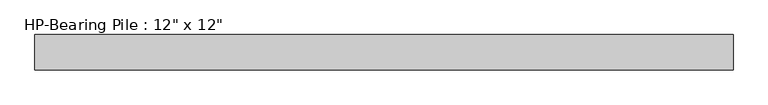
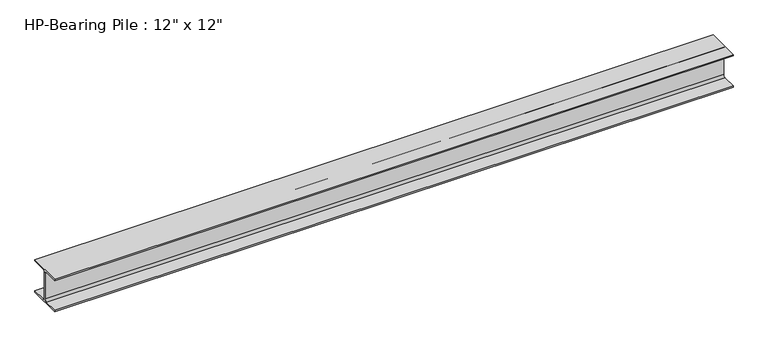
"""IFC4 building model written with IfcOpenShell, lengths in millimetres: beam geometry."""

import ifcopenshell
import ifcopenshell.guid

model = None  # the IFC model being written
_history = None  # IfcOwnerHistory: only IFC2X3 demands one
_inside = {}  # id of a spatial element -> (the spatial element, [elements in it])
_under = {}  # id of a project, library or spatial element -> (it, [spatial elements below it])
_declared = {}  # id of a project -> (the project, [libraries it declares])
_typed = {}  # id of a type object -> (the type object, [elements of that type])
_made_of = {}  # id of a material, layer set ... -> (it, [elements and type objects made of it])


def new_model(schema):
    """Start an empty IFC model of exactly this schema.

    Asked for "IFC4X3", IfcOpenShell would pick the latest addendum, in which some entities
    have other attributes; the version numbers below select the first issue.
    IFC2X3 requires an IfcOwnerHistory on every rooted entity: one is made here for all.
    """
    global model, _history
    if schema == "IFC4X3":
        model = ifcopenshell.file(schema_version=(4, 3, 0, 0))
    else:
        model = ifcopenshell.file(schema=schema)
    _inside.clear()
    _under.clear()
    _declared.clear()
    _typed.clear()
    _made_of.clear()
    _history = None
    if model.schema == "IFC2X3":
        org = make("IfcOrganization", Name="unknown")
        user = make(
            "IfcPersonAndOrganization",
            ThePerson=make("IfcPerson", FamilyName="unknown"),
            TheOrganization=org,
        )
        app = make(
            "IfcApplication",
            ApplicationDeveloper=org,
            Version="unknown",
            ApplicationFullName="unknown",
            ApplicationIdentifier="unknown",
        )
        _history = make(
            "IfcOwnerHistory",
            OwningUser=user,
            OwningApplication=app,
            ChangeAction="ADDED",
            CreationDate=0,
        )
    return model


def make(cls, **values):
    """One entity of the class cls with the attributes given. An attribute that is None is left unset."""
    return model.create_entity(
        cls, **{name: value for name, value in values.items() if value is not None}
    )


def rooted(cls, **values):
    """An entity with a GlobalId (a new one), such as an element, a storey or a relation."""
    return make(cls, GlobalId=ifcopenshell.guid.new(), OwnerHistory=_history, **values)


def si_unit(unit_type, name, prefix=None):
    """IfcSIUnit, for example si_unit("LENGTHUNIT", "METRE", prefix="MILLI")."""
    return make("IfcSIUnit", UnitType=unit_type, Prefix=prefix, Name=name)


def assignment(units):
    """IfcUnitAssignment: the units of a project."""
    return None if units is None else make("IfcUnitAssignment", Units=units)


def point(xyz):
    """IfcCartesianPoint."""
    return None if xyz is None else make("IfcCartesianPoint", Coordinates=xyz)


def direction(xyz):
    """IfcDirection."""
    return None if xyz is None else make("IfcDirection", DirectionRatios=xyz)


def frame(location, z_axis=None, x_axis=None):
    """IfcAxis2Placement3D, a coordinate frame: its origin and axes. An axis left out is left unset."""
    return make(
        "IfcAxis2Placement3D",
        Location=point(location),
        Axis=direction(z_axis),
        RefDirection=direction(x_axis),
    )


def frame_2d(location, x_axis=None):
    """IfcAxis2Placement2D, a coordinate frame in the plane: its origin and x axis."""
    return make(
        "IfcAxis2Placement2D", Location=point(location), RefDirection=direction(x_axis)
    )


def origin():
    """The frame at (0, 0, 0) with its axes left unset."""
    return frame((0.0, 0.0, 0.0))


def place(relative_to, where):
    """IfcLocalPlacement: puts the frame where relative to a parent placement (None: the world)."""
    return make(
        "IfcLocalPlacement", PlacementRelTo=relative_to, RelativePlacement=where
    )


def context(
    kind, dimensions, precision=None, world=None, true_north=None, identifier=None
):
    """IfcGeometricRepresentationContext, for example the 3D "Model" context."""
    return make(
        "IfcGeometricRepresentationContext",
        ContextIdentifier=identifier,
        ContextType=kind,
        CoordinateSpaceDimension=dimensions,
        Precision=precision,
        WorldCoordinateSystem=world,
        TrueNorth=true_north,
    )


def project(units=None, contexts=None):
    """IfcProject with its units and contexts."""
    return rooted(
        "IfcProject",
        Name="project",
        RepresentationContexts=contexts,
        UnitsInContext=assignment(units),
    )


def spatial(cls, under=None, at=None, **own):
    """A site, building, storey or space (cls), placed at a placement, below another one or the project."""
    s = rooted(cls, ObjectPlacement=at, **own)
    if under is not None:
        _under.setdefault(under.id(), (under, []))[1].append(s)
    return s


def polyline(points):
    """IfcPolyline through the points."""
    return make("IfcPolyline", Points=[point(p) for p in points])


def circle_curve(where, radius):
    """IfcCircle in the frame where."""
    return make("IfcCircle", Position=where, Radius=radius)


def trimmed(basis, trim1, trim2, sense, master):
    """IfcTrimmedCurve: the piece of a basis curve between two trims."""
    return make(
        "IfcTrimmedCurve",
        BasisCurve=basis,
        Trim1=trim1,
        Trim2=trim2,
        SenseAgreement=sense,
        MasterRepresentation=master,
    )


def segment(curve, same_sense, transition):
    """IfcCompositeCurveSegment."""
    return make(
        "IfcCompositeCurveSegment",
        Transition=transition,
        SameSense=same_sense,
        ParentCurve=curve,
    )


def composite_curve(segments, self_intersect=None):
    """IfcCompositeCurve: segments joined end to end."""
    return make("IfcCompositeCurve", Segments=segments, SelfIntersect=self_intersect)


def outline(outer, holes=None, kind="AREA"):
    """IfcArbitraryClosedProfileDef: a profile drawn as a closed curve; with holes, ...WithVoids."""
    if holes is None:
        return make("IfcArbitraryClosedProfileDef", ProfileType=kind, OuterCurve=outer)
    return make(
        "IfcArbitraryProfileDefWithVoids",
        ProfileType=kind,
        OuterCurve=outer,
        InnerCurves=holes,
    )


def extrude(swept, where, along, depth):
    """IfcExtrudedAreaSolid: the profile swept, set in the frame where, extruded along a direction by depth."""
    return make(
        "IfcExtrudedAreaSolid",
        SweptArea=swept,
        Position=where,
        ExtrudedDirection=direction(along),
        Depth=depth,
    )


def shape(context_of_items, identifier, shape_type, items):
    """IfcShapeRepresentation: the items that make up one representation, for example the "Body"."""
    return make(
        "IfcShapeRepresentation",
        ContextOfItems=context_of_items,
        RepresentationIdentifier=identifier,
        RepresentationType=shape_type,
        Items=items,
    )


def source(mapping_origin, context_of_items, identifier, shape_type, items):
    """IfcRepresentationMap: a shape defined once, which mapped items show again and again."""
    return make(
        "IfcRepresentationMap",
        MappingOrigin=mapping_origin,
        MappedRepresentation=shape(context_of_items, identifier, shape_type, items),
    )


def transform(
    local_origin,
    x_axis=None,
    y_axis=None,
    z_axis=None,
    scale=None,
    scale2=None,
    scale3=None,
    uniform=True,
):
    """IfcCartesianTransformationOperator3D, or its non-uniform kind. x_axis, y_axis, z_axis: its Axis1, 2, 3."""
    if uniform:
        return make(
            "IfcCartesianTransformationOperator3D",
            Axis1=direction(x_axis),
            Axis2=direction(y_axis),
            LocalOrigin=point(local_origin),
            Scale=scale,
            Axis3=direction(z_axis),
        )
    return make(
        "IfcCartesianTransformationOperator3DnonUniform",
        Axis1=direction(x_axis),
        Axis2=direction(y_axis),
        LocalOrigin=point(local_origin),
        Scale=scale,
        Axis3=direction(z_axis),
        Scale2=scale2,
        Scale3=scale3,
    )


def mapped(mapping_source, mapping_target):
    """IfcMappedItem: shows the shape of a source again, moved by a transform."""
    return make(
        "IfcMappedItem", MappingSource=mapping_source, MappingTarget=mapping_target
    )


def made_of(thing, what):
    """Note that an element or type object is made of a material, layer set ...; save() writes the relation."""
    if what is not None:
        _made_of.setdefault(what.id(), (what, []))[1].append(thing)
    return thing


def element(
    cls,
    number,
    at=None,
    inside=None,
    cuts=None,
    type_object=None,
    material=None,
    context=None,
    identifier="Body",
    shape_type=None,
    held_by="IfcProductDefinitionShape",
    body=None,
    shapes=None,
    **own,
):
    """One element of the class cls, such as IfcWall. Its Tag is "e" and its number.

    at: its placement. inside: the storey or other place that contains it. cuts: it is an
    opening in that element (IfcRelVoidsElement). A single representation is given by context,
    identifier, shape_type and body (its items); several are given by shapes. held_by: the class
    of the entity that holds the representations. save() writes the other relations.
    """
    e = rooted(cls, Tag="e%d" % number, ObjectPlacement=at, **own)
    if body is not None:
        shapes = [shape(context, identifier, shape_type, body)]
    if shapes is not None:
        e.Representation = make(held_by, Representations=shapes)
    if inside is not None:
        _inside.setdefault(inside.id(), (inside, []))[1].append(e)
    if cuts is not None:
        rooted(
            "IfcRelVoidsElement", RelatingBuildingElement=cuts, RelatedOpeningElement=e
        )
    if type_object is not None:
        _typed.setdefault(type_object.id(), (type_object, []))[1].append(e)
    return made_of(e, material)


def aggregate(whole, parts):
    """IfcRelAggregates: a whole, such as a stair, and the parts it consists of."""
    return rooted("IfcRelAggregates", RelatingObject=whole, RelatedObjects=parts)


def save(model, path):
    """Write the relations noted so far, then the file.

    IfcRelAggregates (storeys below a building ...), IfcRelContainedInSpatialStructure (elements
    in a storey), IfcRelDefinesByType, IfcRelAssociatesMaterial and IfcRelDeclares: one each for
    every whole, place, type object, material and project.
    """
    for whole, parts in _under.values():
        aggregate(whole, parts)
    for where, things in _inside.values():
        rooted(
            "IfcRelContainedInSpatialStructure",
            RelatedElements=things,
            RelatingStructure=where,
        )
    for kind, things in _typed.values():
        rooted("IfcRelDefinesByType", RelatedObjects=things, RelatingType=kind)
    for what, things in _made_of.values():
        rooted("IfcRelAssociatesMaterial", RelatedObjects=things, RelatingMaterial=what)
    for by, libraries in _declared.values():
        rooted("IfcRelDeclares", RelatingContext=by, RelatedDefinitions=libraries)
    model.write(path)


def beam_530c1f17(model_context):
    return source(origin(), model_context, "Body", "SweptSolid", [
        extrude(outline(composite_curve([segment(polyline([(152.4, -139.7), (152.4, -152.4), (-152.4, -152.4), (-152.4, -139.7), (-25.4, -139.7)]), True, "CONTINUOUS"), segment(trimmed(circle_curve(frame_2d((-25.4, -120.65)), 19.05), [point((-25.4, -139.7))], [point((-6.35, -120.65))], True, "CARTESIAN"), True, "CONTINUOUS"), segment(polyline([(-6.35, -120.65), (-6.35, 120.65)]), True, "CONTINUOUS"), segment(trimmed(circle_curve(frame_2d((-25.4, 120.65)), 19.05), [point((-6.35, 120.65))], [point((-25.4, 139.7))], True, "CARTESIAN"), True, "CONTINUOUS"), segment(polyline([(-25.4, 139.7), (-152.4, 139.7), (-152.4, 152.4), (152.4, 152.4), (152.4, 139.7), (25.4, 139.7)]), True, "CONTINUOUS"), segment(trimmed(circle_curve(frame_2d((25.4, 120.65)), 19.05), [point((25.4, 139.7))], [point((6.35, 120.65))], True, "CARTESIAN"), True, "CONTINUOUS"), segment(polyline([(6.35, 120.65), (6.35, -120.65)]), True, "CONTINUOUS"), segment(trimmed(circle_curve(frame_2d((25.4, -120.65)), 19.05), [point((6.35, -120.65))], [point((25.4, -139.7))], True, "CARTESIAN"), True, "CONTINUOUS"), segment(polyline([(25.4, -139.7), (152.4, -139.7)]), True, "CONTINUOUS")], self_intersect=False)), frame((-3009.9, 0.0, 0.0), z_axis=(1.0, 0.0, 0.0), x_axis=(0.0, 1.0, 0.0)), (0.0, 0.0, 1.0), 6019.8),
    ])


if __name__ == "__main__":
    model = new_model("IFC4")
    model_context = context("Model", 3, world=origin())
    ifc_project = project(units=[si_unit("LENGTHUNIT", "METRE", prefix="MILLI")], contexts=[model_context])
    site = spatial("IfcSite", under=ifc_project)
    building = spatial("IfcBuilding", under=site)
    placement = place(None, origin())
    beam_shape = beam_530c1f17(model_context)
    element("IfcBeam", 1, ObjectType="HP-Bearing Pile : 12\" x 12\"", at=placement, inside=building, context=model_context, shape_type="MappedRepresentation", body=[
        mapped(beam_shape, transform((0.0, 0.0, 0.0), x_axis=(1.0, 0.0, 0.0), y_axis=(0.0, 1.0, 0.0), z_axis=(0.0, 0.0, 1.0))),
    ])
    save(model, "model.ifc")
